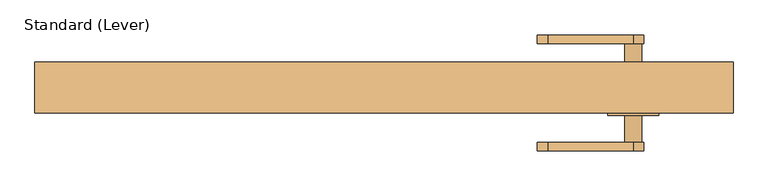
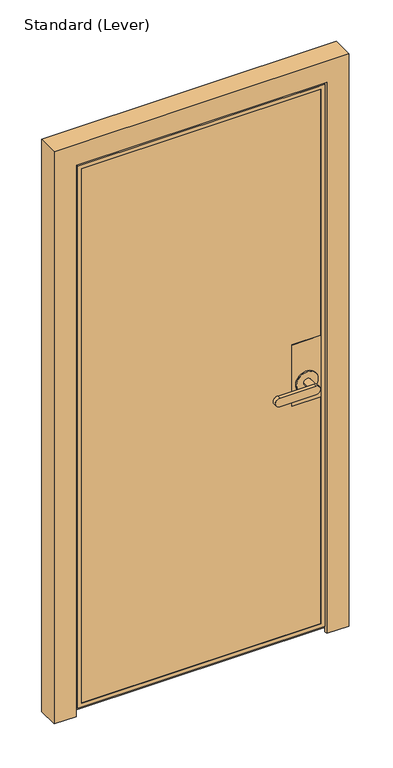
"""IFC4 building model written with IfcOpenShell, lengths in millimetres: door geometry, Standard (Lever)."""

from ifc_helpers import new_model, si_unit, frame, origin, place, context, project, spatial, polyline, circle_curve, outline, extrude, faceted_brep, source, transform, mapped, element, save
from ifc_brep_helpers import plane_surface, cylinder_surface, advanced_brep


def standard_lever_66eca391(model_context):
    return source(origin(), model_context, "Body", "SolidModel", [
        faceted_brep([(528.6375, 10.31875, 1117.6), (427.0375, 10.31875, 1117.6), (427.0375, -26.19375, 1117.6), (528.6375, -26.19375, 1117.6), (528.6375, 10.31875, 889.0), (528.6375, -26.19375, 889.0), (427.0375, -26.19375, 889.0), (427.0375, 10.31875, 889.0)], [[[0, 1, 2, 3]], [[4, 5, 6, 7]], [[3, 5, 4, 0]], [[2, 6, 5, 3]], [[1, 7, 6, 2]], [[0, 4, 7, 1]]]),
        advanced_brep(
        [(528.6375, -35.71875, 1117.6), (427.0375, -35.71875, 1117.6), (427.0375, -37.30625, 1117.6), (528.6375, -37.30625, 1117.6), (528.6375, -35.71875, 889.0), (528.6375, -37.30625, 889.0), (427.0375, -37.30625, 889.0), (427.0375, -35.71875, 889.0), (439.7375, -37.30625, 965.2), (515.9375, -37.30625, 965.2), (515.9375, -42.06875, 965.2), (439.7375, -42.06875, 965.2), (465.1375, -42.06875, 965.2), (490.5375, -42.06875, 965.2), (490.5375, -81.75625, 965.2), (465.1375, -81.75625, 965.2), (350.8375, -94.45625, 949.325), (477.8375, -94.45625, 949.325), (477.8375, -94.45625, 981.075), (350.8375, -94.45625, 981.075), (350.8375, -81.75625, 949.325), (350.8375, -81.75625, 981.075), (477.8375, -81.75625, 981.075), (477.8375, -81.75625, 949.325)],
        [
            (0, 1),
            (1, 2),
            (2, 3),
            (3, 0),
            (4, 5),
            (5, 6),
            (6, 7),
            (7, 4),
            (3, 5),
            (4, 0),
            (2, 6),
            (8, 9, circle_curve(frame((477.8375, -37.30625, 965.2), z_axis=(0.0, 1.0, 0.0), x_axis=(-1.0, 0.0, 0.0)), 38.1)),
            (9, 8, circle_curve(frame((477.8375, -37.30625, 965.2), z_axis=(0.0, 1.0, 0.0), x_axis=(-1.0, 0.0, 0.0)), 38.1)),
            (1, 7),
            (10, 11, circle_curve(frame((477.8375, -42.06875, 965.2), z_axis=(0.0, -1.0, 0.0), x_axis=(-1.0, 0.0, 0.0)), 38.1)),
            (11, 10, circle_curve(frame((477.8375, -42.06875, 965.2), z_axis=(0.0, -1.0, 0.0), x_axis=(-1.0, 0.0, 0.0)), 38.1)),
            (12, 13, circle_curve(frame((477.8375, -42.06875, 965.2), z_axis=(0.0, 1.0, 0.0), x_axis=(-1.0, 0.0, 0.0)), 12.7)),
            (13, 12, circle_curve(frame((477.8375, -42.06875, 965.2), z_axis=(0.0, 1.0, 0.0), x_axis=(-1.0, 0.0, 0.0)), 12.7)),
            (11, 8),
            (9, 10),
            (14, 15, circle_curve(frame((477.8375, -81.75625, 965.2), z_axis=(0.0, 1.0, 0.0), x_axis=(-1.0, 0.0, 0.0)), 12.7)),
            (15, 12),
            (13, 14),
            (15, 14, circle_curve(frame((477.8375, -81.75625, 965.2), z_axis=(0.0, 1.0, 0.0), x_axis=(-1.0, 0.0, 0.0)), 12.7)),
            (16, 17),
            (17, 18, circle_curve(frame((477.8375, -94.45625, 965.2), z_axis=(0.0, -1.0, 0.0), x_axis=(-1.0, 0.0, 0.0)), 15.875)),
            (18, 19),
            (19, 16, circle_curve(frame((350.8375, -94.45625, 965.2), z_axis=(0.0, -1.0, 0.0), x_axis=(-1.0, 0.0, 0.0)), 15.875)),
            (20, 21, circle_curve(frame((350.8375, -81.75625, 965.2), z_axis=(0.0, 1.0, 0.0), x_axis=(-1.0, 0.0, 0.0)), 15.875)),
            (21, 22),
            (22, 23, circle_curve(frame((477.8375, -81.75625, 965.2), z_axis=(0.0, 1.0, 0.0), x_axis=(-1.0, 0.0, 0.0)), 15.875)),
            (23, 20),
            (19, 21),
            (20, 16),
            (18, 22),
            (17, 23),
        ],
        [
            plane_surface(frame((528.6375, 21.43125, 1117.6), z_axis=(0.0, 0.0, 1.0), x_axis=(0.0, -1.0, 0.0))),
            plane_surface(frame((528.6375, 21.43125, 889.0), z_axis=(0.0, 0.0, -1.0), x_axis=(0.0, 1.0, 0.0))),
            plane_surface(frame((528.6375, -35.71875, 1117.6), z_axis=(1.0, 0.0, 0.0), x_axis=(0.0, 0.0, -1.0))),
            plane_surface(frame((528.6375, -37.30625, 1117.6), z_axis=(0.0, -1.0, 0.0), x_axis=(0.0, 0.0, -1.0))),
            plane_surface(frame((427.0375, -37.30625, 1117.6), z_axis=(-1.0, 0.0, 0.0), x_axis=(0.0, 0.0, -1.0))),
            plane_surface(frame((427.0375, -35.71875, 1117.6), z_axis=(0.0, 1.0, 0.0), x_axis=(0.0, 0.0, -1.0))),
            plane_surface(frame((439.7375, -42.06875, 965.2), z_axis=(0.0, -1.0, 0.0), x_axis=(0.0, 0.0, 1.0))),
            cylinder_surface(frame((477.8375, -37.30625, 965.2), z_axis=(0.0, -1.0, 0.0), x_axis=(-1.0, 0.0, 0.0)), 38.1),
            cylinder_surface(frame((477.8375, -37.30625, 965.2), z_axis=(0.0, -1.0, 0.0), x_axis=(-1.0, 0.0, 0.0)), 12.7),
            plane_surface(frame((334.9625, -94.45625, 965.2), z_axis=(0.0, -1.0, 0.0), x_axis=(0.0, 0.0, 1.0))),
            plane_surface(frame((334.9625, -81.75625, 965.2), z_axis=(0.0, 1.0, 0.0), x_axis=(0.0, 0.0, -1.0))),
            cylinder_surface(frame((350.8375, -81.75625, 965.2), z_axis=(0.0, -1.0, 0.0), x_axis=(-1.0, 0.0, 0.0)), 15.875),
            plane_surface(frame((350.8375, -94.45625, 981.075), z_axis=(0.0, 0.0, 1.0), x_axis=(0.0, 1.0, 0.0))),
            cylinder_surface(frame((477.8375, -81.75625, 965.2), z_axis=(0.0, -1.0, 0.0), x_axis=(-1.0, 0.0, 0.0)), 15.875),
            plane_surface(frame((477.8375, -94.45625, 949.325), z_axis=(0.0, 0.0, -1.0), x_axis=(0.0, 1.0, 0.0))),
        ],
        [
            (0, [[1, 2, 3, 4]]),
            (1, [[5, 6, 7, 8]]),
            (2, [[9, -5, 10, -4]]),
            (3, [[11, -6, -9, -3], [12, 13]]),
            (4, [[14, -7, -11, -2]]),
            (5, [[-10, -8, -14, -1]]),
            (6, [[15, 16], [17, 18]]),
            (7, [[19, -13, 20, -16]]),
            (7, [[-20, -12, -19, -15]]),
            (8, [[21, 22, -18, 23]]),
            (8, [[-17, -22, 24, -23]]),
            (9, [[25, 26, 27, 28]]),
            (10, [[29, 30, 31, 32], [-24, -21]]),
            (11, [[33, -29, 34, -28]]),
            (12, [[35, -30, -33, -27]]),
            (13, [[36, -31, -35, -26]]),
            (14, [[-34, -32, -36, -25]]),
        ],
    ),
        advanced_brep(
        [(528.6375, 21.43125, 1117.6), (427.099678, 21.43125, 1117.6), (427.099678, 19.84375, 1117.6), (528.6375, 19.84375, 1117.6), (528.6375, 21.43125, 889.0), (528.6375, 19.84375, 889.0), (427.099678, 19.84375, 889.0), (427.099678, 21.43125, 889.0), (490.5375, 26.19375, 965.2), (465.1375, 26.19375, 965.2), (465.1375, 65.88125, 965.2), (490.5375, 65.88125, 965.2), (515.9375, 26.19375, 965.2), (439.7375, 26.19375, 965.2), (515.9375, 21.43125, 965.2), (439.7375, 21.43125, 965.2), (477.8375, 65.88125, 949.325), (477.8375, 65.88125, 981.075), (350.8375, 65.88125, 981.075), (350.8375, 65.88125, 949.325), (477.8375, 78.58125, 949.325), (350.8375, 78.58125, 949.325), (350.8375, 78.58125, 981.075), (477.8375, 78.58125, 981.075)],
        [
            (0, 1),
            (1, 2),
            (2, 3),
            (3, 0),
            (4, 5),
            (5, 6),
            (6, 7),
            (7, 4),
            (8, 9, circle_curve(frame((477.8375, 26.19375, 965.2), z_axis=(0.0, 1.0, 0.0), x_axis=(-1.0, 0.0, 0.0)), 12.7)),
            (9, 10),
            (10, 11, circle_curve(frame((477.8375, 65.88125, 965.2), z_axis=(0.0, -1.0, 0.0), x_axis=(-1.0, 0.0, 0.0)), 12.7)),
            (11, 8),
            (11, 10, circle_curve(frame((477.8375, 65.88125, 965.2), z_axis=(0.0, -1.0, 0.0), x_axis=(-1.0, 0.0, 0.0)), 12.7)),
            (9, 8, circle_curve(frame((477.8375, 26.19375, 965.2), z_axis=(0.0, 1.0, 0.0), x_axis=(-1.0, 0.0, 0.0)), 12.7)),
            (12, 13, circle_curve(frame((477.8375, 26.19375, 965.2), z_axis=(0.0, 1.0, 0.0), x_axis=(-1.0, 0.0, 0.0)), 38.1)),
            (13, 12, circle_curve(frame((477.8375, 26.19375, 965.2), z_axis=(0.0, 1.0, 0.0), x_axis=(-1.0, 0.0, 0.0)), 38.1)),
            (12, 14),
            (14, 15, circle_curve(frame((477.8375, 21.43125, 965.2), z_axis=(0.0, 1.0, 0.0), x_axis=(-1.0, 0.0, 0.0)), 38.1)),
            (15, 13),
            (15, 14, circle_curve(frame((477.8375, 21.43125, 965.2), z_axis=(0.0, 1.0, 0.0), x_axis=(-1.0, 0.0, 0.0)), 38.1)),
            (16, 17, circle_curve(frame((477.8375, 65.88125, 965.2), z_axis=(0.0, -1.0, 0.0), x_axis=(-1.0, 0.0, 0.0)), 15.875)),
            (17, 18),
            (18, 19, circle_curve(frame((350.8375, 65.88125, 965.2), z_axis=(0.0, -1.0, 0.0), x_axis=(-1.0, 0.0, 0.0)), 15.875)),
            (19, 16),
            (20, 21),
            (21, 22, circle_curve(frame((350.8375, 78.58125, 965.2), z_axis=(0.0, 1.0, 0.0), x_axis=(-1.0, 0.0, 0.0)), 15.875)),
            (22, 23),
            (23, 20, circle_curve(frame((477.8375, 78.58125, 965.2), z_axis=(0.0, 1.0, 0.0), x_axis=(-1.0, 0.0, 0.0)), 15.875)),
            (19, 21),
            (20, 16),
            (18, 22),
            (17, 23),
            (3, 5),
            (4, 0),
            (2, 6),
            (1, 7),
        ],
        [
            plane_surface(frame((528.6375, 21.43125, 1117.6), z_axis=(0.0, 0.0, 1.0), x_axis=(0.0, -1.0, 0.0))),
            plane_surface(frame((528.6375, 21.43125, 889.0), z_axis=(0.0, 0.0, -1.0), x_axis=(0.0, 1.0, 0.0))),
            cylinder_surface(frame((477.8375, 65.88125, 965.2), z_axis=(0.0, -1.0, 0.0), x_axis=(-1.0, 0.0, 0.0)), 12.7),
            plane_surface(frame((439.7375, 26.19375, 965.2), z_axis=(0.0, 1.0, 0.0), x_axis=(0.0, 0.0, -1.0))),
            cylinder_surface(frame((477.8375, 26.19375, 965.2), z_axis=(0.0, -1.0, 0.0), x_axis=(-1.0, 0.0, 0.0)), 38.1),
            plane_surface(frame((477.8375, 65.88125, 949.325), z_axis=(0.0, -1.0, 0.0), x_axis=(-1.0, 0.0, 0.0))),
            plane_surface(frame((477.8375, 78.58125, 949.325), z_axis=(0.0, 1.0, 0.0), x_axis=(1.0, 0.0, 0.0))),
            plane_surface(frame((477.8375, 65.88125, 949.325), z_axis=(0.0, 0.0, -1.0), x_axis=(0.0, 1.0, 0.0))),
            cylinder_surface(frame((350.8375, 78.58125, 965.2), z_axis=(0.0, -1.0, 0.0), x_axis=(-1.0, 0.0, 0.0)), 15.875),
            plane_surface(frame((350.8375, 65.88125, 981.075), z_axis=(0.0, 0.0, 1.0), x_axis=(0.0, 1.0, 0.0))),
            cylinder_surface(frame((477.8375, 78.58125, 965.2), z_axis=(0.0, -1.0, 0.0), x_axis=(-1.0, 0.0, 0.0)), 15.875),
            plane_surface(frame((528.6375, 21.43125, 1117.6), z_axis=(1.0, 0.0, 0.0), x_axis=(0.0, 0.0, -1.0))),
            plane_surface(frame((528.6375, 19.84375, 1117.6), z_axis=(0.0, -1.0, 0.0), x_axis=(0.0, 0.0, -1.0))),
            plane_surface(frame((427.099678, 19.84375, 1117.6), z_axis=(-1.0, 0.0, 0.0), x_axis=(0.0, 0.0, -1.0))),
            plane_surface(frame((427.099678, 21.43125, 1117.6), z_axis=(0.0, 1.0, 0.0), x_axis=(0.0, 0.0, -1.0))),
        ],
        [
            (0, [[1, 2, 3, 4]]),
            (1, [[5, 6, 7, 8]]),
            (2, [[9, 10, 11, 12]]),
            (2, [[13, -10, 14, -12]]),
            (3, [[15, 16], [-14, -9]]),
            (4, [[17, 18, 19, -15]]),
            (4, [[-19, 20, -17, -16]]),
            (5, [[21, 22, 23, 24], [-13, -11]]),
            (6, [[25, 26, 27, 28]]),
            (7, [[29, -25, 30, -24]]),
            (8, [[31, -26, -29, -23]]),
            (9, [[32, -27, -31, -22]]),
            (10, [[-30, -28, -32, -21]]),
            (11, [[33, -5, 34, -4]]),
            (12, [[35, -6, -33, -3]]),
            (13, [[36, -7, -35, -2]]),
            (14, [[-34, -8, -36, -1], [-20, -18]]),
        ],
    ),
        extrude(outline(polyline([(541.3375, -35.71875), (-328.6125, -35.71875), (-328.6125, -26.19375), (541.3375, -26.19375), (541.3375, -35.71875)])), frame((0.0, 0.0, 30.1625), z_axis=(0.0, 0.0, 1.0), x_axis=(1.0, 0.0, 0.0)), (0.0, 0.0, 1.0), 2017.7125),
        extrude(outline(polyline([(541.3375, 10.31875), (-328.6125, 10.31875), (-328.6125, 19.84375), (541.3375, 19.84375), (541.3375, 10.31875)])), frame((0.0, 0.0, 30.1625), z_axis=(0.0, 0.0, 1.0), x_axis=(1.0, 0.0, 0.0)), (0.0, 0.0, 1.0), 2017.7125),
        faceted_brep([(-315.9125, -26.19375, 2035.175), (-315.9125, -26.19375, 42.8625), (-315.9125, 10.31875, 42.8625), (-315.9125, 10.31875, 2035.175), (541.3375, 10.31875, 30.1625), (-328.6125, 10.31875, 30.1625), (-328.6125, 10.31875, 2047.875), (541.3375, 10.31875, 2047.875), (528.6375, 10.31875, 42.8625), (528.6375, 10.31875, 2035.175), (528.6375, -26.19375, 42.8625), (541.3375, -26.19375, 30.1625), (541.3375, -26.19375, 2047.875), (-328.6125, -26.19375, 2047.875), (-328.6125, -26.19375, 30.1625), (528.6375, -26.19375, 2035.175), (-328.6125, -35.71875, 2047.875), (-328.6125, -35.71875, 30.1625), (541.3375, -35.71875, 30.1625), (541.3375, -35.71875, 2047.875), (528.6375, -35.71875, 42.8625), (528.6375, -35.71875, 2035.175), (-315.9125, -35.71875, 2035.175), (-315.9125, -35.71875, 42.8625), (-315.9125, -37.30625, 2035.175), (-315.9125, -37.30625, 42.8625), (528.6375, -37.30625, 42.8625), (542.925, -37.30625, 28.575), (542.925, -37.30625, 2049.4625), (-330.2, -37.30625, 2049.4625), (-330.2, -37.30625, 28.575), (528.6375, -37.30625, 2035.175), (-330.2, -23.01875, 2049.4625), (-330.2, -23.01875, 28.575), (542.925, -23.01875, 28.575), (558.8, -23.01875, 12.7), (558.8, -23.01875, 2065.3375), (-346.075, -23.01875, 2065.3375), (-346.075, -23.01875, 12.7), (542.925, -23.01875, 2049.4625), (-346.075, 21.43125, 2065.3375), (-346.075, 21.43125, 12.7), (558.8, 21.43125, 12.7), (558.8, 21.43125, 2065.3375), (528.6375, 21.43125, 42.8625), (528.6375, 21.43125, 2035.175), (-315.9125, 21.43125, 2035.175), (-315.9125, 21.43125, 42.8625), (-315.9125, 19.84375, 42.8625), (528.6375, 19.84375, 42.8625), (-315.9125, 19.84375, 2035.175), (528.6375, 19.84375, 2035.175), (-328.6125, 19.84375, 30.1625), (541.3375, 19.84375, 30.1625), (541.3375, 19.84375, 2047.875), (-328.6125, 19.84375, 2047.875)], [[[0, 1, 2, 3]], [[4, 5, 6, 7], [2, 8, 9, 3]], [[1, 10, 8, 2]], [[11, 12, 13, 14], [1, 0, 15, 10]], [[16, 17, 14, 13]], [[17, 18, 11, 14]], [[17, 16, 19, 18], [20, 21, 22, 23]], [[24, 25, 23, 22]], [[25, 26, 20, 23]], [[27, 28, 29, 30], [25, 24, 31, 26]], [[32, 33, 30, 29]], [[33, 34, 27, 30]], [[35, 36, 37, 38], [33, 32, 39, 34]], [[40, 41, 38, 37]], [[41, 42, 35, 38]], [[41, 40, 43, 42], [44, 45, 46, 47]], [[10, 15, 9, 8]], [[18, 19, 12, 11]], [[26, 31, 21, 20]], [[34, 39, 28, 27]], [[42, 43, 36, 35]], [[48, 49, 44, 47]], [[50, 48, 47, 46]], [[49, 51, 45, 44]], [[52, 53, 54, 55], [49, 48, 50, 51]], [[6, 5, 52, 55]], [[5, 4, 53, 52]], [[4, 7, 54, 53]], [[15, 0, 3, 9]], [[19, 16, 13, 12]], [[31, 24, 22, 21]], [[39, 32, 29, 28]], [[43, 40, 37, 36]], [[51, 50, 46, 45]], [[7, 6, 55, 54]]]),
        faceted_brep([(563.5625, -26.9875, 0.0), (563.5625, 38.1, 0.0), (627.0625, 38.1, 0.0), (627.0625, -38.1, 0.0), (549.275, -38.1, 0.0), (549.275, -26.9875, 0.0), (549.275, -26.9875, 2055.8125), (-336.55, -26.9875, 2055.8125), (-336.55, -26.9875, 0.0), (-350.8375, -26.9875, 0.0), (-350.8375, -26.9875, 2070.1), (563.5625, -26.9875, 2070.1), (549.275, -38.1, 2055.8125), (627.0625, -38.1, 2133.6), (-414.3375, -38.1, 2133.6), (-414.3375, -38.1, 0.0), (-336.55, -38.1, 0.0), (-336.55, -38.1, 2055.8125), (627.0625, 38.1, 2133.6), (563.5625, 38.1, 2070.1), (-350.8375, 38.1, 2070.1), (-350.8375, 38.1, 0.0), (-414.3375, 38.1, 0.0), (-414.3375, 38.1, 2133.6)], [[[0, 1, 2, 3, 4, 5]], [[5, 6, 7, 8, 9, 10, 11, 0]], [[4, 12, 6, 5]], [[3, 13, 14, 15, 16, 17, 12, 4]], [[2, 18, 13, 3]], [[1, 19, 20, 21, 22, 23, 18, 2]], [[0, 11, 19, 1]], [[9, 8, 16, 15, 22, 21]], [[15, 14, 23, 22]], [[21, 20, 10, 9]], [[8, 7, 17, 16]], [[23, 14, 13, 18]], [[10, 20, 19, 11]], [[12, 17, 7, 6]]]),
    ])


if __name__ == "__main__":
    model = new_model("IFC4")
    model_context = context("Model", 3, world=origin())
    ifc_project = project(units=[si_unit("LENGTHUNIT", "METRE", prefix="MILLI")], contexts=[model_context])
    site = spatial("IfcSite", under=ifc_project)
    building = spatial("IfcBuilding", under=site)
    placement = place(None, origin())
    standard_lever_shape = standard_lever_66eca391(model_context)
    element("IfcDoor", 1, ObjectType="Standard (Lever)", at=placement, inside=building, context=model_context, shape_type="MappedRepresentation", body=[
        mapped(standard_lever_shape, transform((0.0, 0.0, 0.0), x_axis=(1.0, 0.0, 0.0), y_axis=(0.0, 1.0, 0.0), z_axis=(0.0, 0.0, 1.0))),
    ])
    save(model, "model.ifc")
